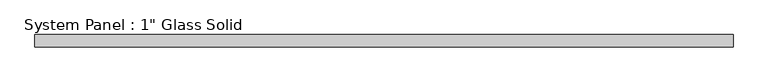
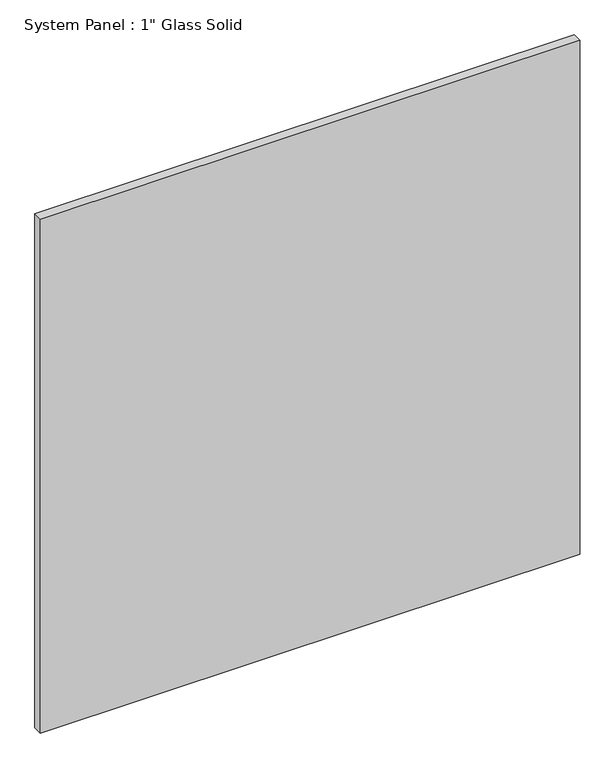
"""IFC4 building model written with IfcOpenShell, lengths in millimetres: plate geometry."""

from ifc_helpers import new_model, si_unit, origin, origin_with_axes, place, context, project, spatial, polyline, outline, extrude, source, transform, mapped, element, save


def plate_50563db6(model_context):
    return source(origin(), model_context, "Body", "SweptSolid", [
        extrude(outline(polyline([(721.2054024, -12.7), (-721.2054024, -12.7), (-721.2054024, 12.7), (721.2054024, 12.7), (721.2054024, -12.7)])), origin_with_axes(), (0.0, 0.0, 1.0), 1452.8817704),
    ])


if __name__ == "__main__":
    model = new_model("IFC4")
    model_context = context("Model", 3, world=origin())
    ifc_project = project(units=[si_unit("LENGTHUNIT", "METRE", prefix="MILLI")], contexts=[model_context])
    site = spatial("IfcSite", under=ifc_project)
    building = spatial("IfcBuilding", under=site)
    placement = place(None, origin())
    plate_shape = plate_50563db6(model_context)
    element("IfcPlate", 1, ObjectType="System Panel : 1\" Glass Solid", at=placement, inside=building, context=model_context, shape_type="MappedRepresentation", body=[
        mapped(plate_shape, transform((0.0, 0.0, 0.0), x_axis=(1.0, 0.0, 0.0), y_axis=(0.0, 1.0, 0.0), z_axis=(0.0, 0.0, 1.0))),
    ])
    save(model, "model.ifc")
